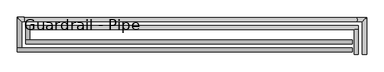
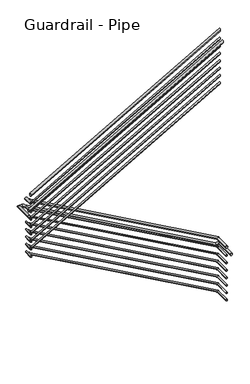
"""IFC4 building model written with IfcOpenShell, lengths in millimetres: railing geometry, Guardrail - Pipe."""

from ifc_helpers import new_model, si_unit, frame, origin, place, context, project, spatial, circle_curve, ellipse_curve, source, transform, mapped, element, save
from ifc_brep_helpers import plane_surface, cylinder_surface, advanced_brep


def guardrail_pipe_97f51324(model_context):
    return source(origin(), model_context, "Body", "AdvancedBrep", [
        advanced_brep(
        [(-10536.8064309, 2520.2151259, 8667.75), (-10574.9064309, 2520.2151259, 8667.75), (-10536.8064309, 2755.1651259, 8667.75), (-10574.9064309, 2755.1651259, 8667.75)],
        [
            (0, 1, circle_curve(frame((-10555.8564309, 2520.2151259, 8667.75), z_axis=(0.0, -1.0, 0.0), x_axis=(-1.0, 0.0, 0.0)), 19.05)),
            (1, 0, circle_curve(frame((-10555.8564309, 2520.2151259, 8667.75), z_axis=(0.0, -1.0, 0.0), x_axis=(-1.0, 0.0, 0.0)), 19.05)),
            (2, 3, circle_curve(frame((-10555.8564309, 2755.1651259, 8667.75), z_axis=(0.0, 1.0, 0.0), x_axis=(-1.0, 0.0, 0.0)), 19.05)),
            (3, 2, circle_curve(frame((-10555.8564309, 2755.1651259, 8667.75), z_axis=(0.0, 1.0, 0.0), x_axis=(-1.0, 0.0, 0.0)), 19.05)),
            (0, 2),
            (3, 1),
        ],
        [
            plane_surface(frame((-10555.8564309, 2520.2151259, 8686.8), z_axis=(0.0, -1.0, 0.0), x_axis=(0.0, 0.0, 1.0))),
            plane_surface(frame((-10555.8564309, 2755.1651259, 8686.8), z_axis=(0.0, 1.0, 0.0), x_axis=(0.0, 0.0, 1.0))),
            cylinder_surface(frame((-10555.8564309, 2520.2151259, 8667.75), z_axis=(0.0, -1.0, 0.0), x_axis=(-1.0, 0.0, 0.0)), 19.05),
        ],
        [
            (0, [[1, 2]]),
            (1, [[3, 4]]),
            (2, [[-1, 5, -4, 6]]),
            (2, [[-2, -6, -3, -5]]),
        ],
    ),
        advanced_brep(
        [(-10536.8064309, 2793.2651259, 8659.4197382), (-10536.8064309, 2755.1651259, 8659.4197382), (-13625.9612561, 2793.2651259, 10389.3610421), (-13625.9612561, 2755.1651259, 10389.3610421)],
        [
            (0, 1, ellipse_curve(frame((-10536.8064309, 2774.2151259, 8659.4197382), z_axis=(1.0, 0.0, 0.0), x_axis=(0.0, 0.0, -1.0)), 21.8337043, 19.05)),
            (1, 0, ellipse_curve(frame((-10536.8064309, 2774.2151259, 8659.4197382), z_axis=(1.0, 0.0, 0.0), x_axis=(0.0, 0.0, -1.0)), 21.8337043, 19.05)),
            (2, 3, ellipse_curve(frame((-13625.9612561, 2774.2151259, 10389.3610421), z_axis=(-1.0, 0.0, 0.0), x_axis=(0.0, 0.0, -1.0)), 21.8337043, 19.05)),
            (3, 2, ellipse_curve(frame((-13625.9612561, 2774.2151259, 10389.3610421), z_axis=(-1.0, 0.0, 0.0), x_axis=(0.0, 0.0, -1.0)), 21.8337043, 19.05)),
            (0, 2),
            (3, 1),
        ],
        [
            plane_surface(frame((-10536.8064309, 2774.2151259, 8681.2534425), z_axis=(1.0, 0.0, 0.0), x_axis=(0.0, -1.0, 0.0))),
            plane_surface(frame((-13625.9612561, 2774.2151259, 10411.1947464), z_axis=(-1.0, 0.0, 0.0), x_axis=(0.0, -1.0, 0.0))),
            cylinder_surface(frame((-10546.1143849, 2774.2151259, 8664.6322364), z_axis=(0.8725042577841247, 0.0, -0.4886065085000135), x_axis=(0.0, -1.0, 0.0)), 19.05),
        ],
        [
            (0, [[1, 2]]),
            (1, [[3, 4]]),
            (2, [[-1, 5, -4, 6]]),
            (2, [[-2, -6, -3, -5]]),
        ],
    ),
        advanced_brep(
        [(-13664.0612561, 2793.2651259, 10417.0369565), (-13625.9612561, 2793.2651259, 10417.0369565), (-13664.0612561, 2656.0904418, 10417.0369565), (-13625.9612561, 2656.0904418, 10417.0369565)],
        [
            (0, 1, circle_curve(frame((-13645.0112561, 2793.2651259, 10417.0369565), z_axis=(0.0, 1.0, 0.0), x_axis=(1.0, 0.0, 0.0)), 19.05)),
            (1, 0, circle_curve(frame((-13645.0112561, 2793.2651259, 10417.0369565), z_axis=(0.0, 1.0, 0.0), x_axis=(1.0, 0.0, 0.0)), 19.05)),
            (2, 3, circle_curve(frame((-13645.0112561, 2656.0904418, 10417.0369565), z_axis=(0.0, -1.0, 0.0), x_axis=(1.0, 0.0, 0.0)), 19.05)),
            (3, 2, circle_curve(frame((-13645.0112561, 2656.0904418, 10417.0369565), z_axis=(0.0, -1.0, 0.0), x_axis=(1.0, 0.0, 0.0)), 19.05)),
            (0, 2),
            (3, 1),
        ],
        [
            plane_surface(frame((-13645.0112561, 2793.2651259, 10436.0869565), z_axis=(0.0, 1.0, 0.0), x_axis=(0.0, 0.0, -1.0))),
            plane_surface(frame((-13645.0112561, 2656.0904418, 10436.0869565), z_axis=(0.0, -1.0, 0.0), x_axis=(0.0, 0.0, -1.0))),
            cylinder_surface(frame((-13645.0112561, 2793.2651259, 10417.0369565), z_axis=(0.0, 1.0, 0.0), x_axis=(1.0, 0.0, 0.0)), 19.05),
        ],
        [
            (0, [[1, 2]]),
            (1, [[3, 4]]),
            (2, [[-1, 5, -4, 6]]),
            (2, [[-2, -6, -3, -5]]),
        ],
    ),
        advanced_brep(
        [(-13664.0612561, 2617.9904418, 10576.8077294), (-13664.0612561, 2656.0904418, 10576.8077294), (-10597.0112561, 2617.9904418, 12322.4804567), (-10597.0112561, 2656.0904418, 12322.4804567)],
        [
            (0, 1, ellipse_curve(frame((-13664.0612561, 2637.0404418, 10576.8077294), z_axis=(-1.0, 0.0, 0.0), x_axis=(0.0, 0.0, -0.9999999999999999)), 21.9195433, 19.05)),
            (1, 0, ellipse_curve(frame((-13664.0612561, 2637.0404418, 10576.8077294), z_axis=(-1.0, 0.0, 0.0), x_axis=(0.0, 0.0, -0.9999999999999999)), 21.9195433, 19.05)),
            (2, 3, ellipse_curve(frame((-10597.0112561, 2637.0404418, 12322.4804567), z_axis=(1.0, 0.0, 0.0), x_axis=(0.0, 0.0, -0.9999999999999999)), 21.9195433, 19.05)),
            (3, 2, ellipse_curve(frame((-10597.0112561, 2637.0404418, 12322.4804567), z_axis=(1.0, 0.0, 0.0), x_axis=(0.0, 0.0, -0.9999999999999999)), 21.9195433, 19.05)),
            (0, 2),
            (3, 1),
        ],
        [
            plane_surface(frame((-13664.0612561, 2637.0404418, 10598.7272727), z_axis=(-1.0, 0.0, 0.0), x_axis=(0.0, 1.0, 0.0))),
            plane_surface(frame((-10597.0112561, 2637.0404418, 12344.4), z_axis=(1.0, 0.0, 0.0), x_axis=(0.0, 1.0, 0.0))),
            cylinder_surface(frame((-13654.6380123, 2637.0404418, 10582.1711568), z_axis=(-0.8690874511906045, 0.0, -0.49465847024287246), x_axis=(0.0, 1.0, 0.0)), 19.05),
        ],
        [
            (0, [[1, 2]]),
            (1, [[3, 4]]),
            (2, [[-1, 5, -4, 6]]),
            (2, [[-2, -6, -3, -5]]),
        ],
    ),
        advanced_brep(
        [(-10543.1564309, 2520.2151259, 8521.7), (-10568.5564309, 2520.2151259, 8521.7), (-10543.1564309, 2761.5151259, 8521.7), (-10568.5564309, 2761.5151259, 8521.7)],
        [
            (0, 1, circle_curve(frame((-10555.8564309, 2520.2151259, 8521.7), z_axis=(0.0, -1.0, 0.0), x_axis=(-1.0, 0.0, 0.0)), 12.7)),
            (1, 0, circle_curve(frame((-10555.8564309, 2520.2151259, 8521.7), z_axis=(0.0, -1.0, 0.0), x_axis=(-1.0, 0.0, 0.0)), 12.7)),
            (2, 3, circle_curve(frame((-10555.8564309, 2761.5151259, 8521.7), z_axis=(0.0, 1.0, 0.0), x_axis=(-1.0, 0.0, 0.0)), 12.7)),
            (3, 2, circle_curve(frame((-10555.8564309, 2761.5151259, 8521.7), z_axis=(0.0, 1.0, 0.0), x_axis=(-1.0, 0.0, 0.0)), 12.7)),
            (0, 2),
            (3, 1),
        ],
        [
            plane_surface(frame((-10555.8564309, 2520.2151259, 8534.4), z_axis=(0.0, -1.0, 0.0), x_axis=(0.0, 0.0, 1.0))),
            plane_surface(frame((-10555.8564309, 2761.5151259, 8534.4), z_axis=(0.0, 1.0, 0.0), x_axis=(0.0, 0.0, 1.0))),
            cylinder_surface(frame((-10555.8564309, 2520.2151259, 8521.7), z_axis=(0.0, -1.0, 0.0), x_axis=(-1.0, 0.0, 0.0)), 12.7),
        ],
        [
            (0, [[1, 2]]),
            (1, [[3, 4]]),
            (2, [[-1, 5, -4, 6]]),
            (2, [[-2, -6, -3, -5]]),
        ],
    ),
        advanced_brep(
        [(-10543.1564309, 2786.9151259, 8517.8536697), (-10543.1564309, 2761.5151259, 8517.8536697), (-13632.3112561, 2786.9151259, 10247.7949735), (-13632.3112561, 2761.5151259, 10247.7949735)],
        [
            (0, 1, ellipse_curve(frame((-10543.1564309, 2774.2151259, 8517.8536697), z_axis=(1.0, 0.0, 0.0), x_axis=(0.0, 0.0, -1.0)), 14.5558029, 12.7)),
            (1, 0, ellipse_curve(frame((-10543.1564309, 2774.2151259, 8517.8536697), z_axis=(1.0, 0.0, 0.0), x_axis=(0.0, 0.0, -1.0)), 14.5558029, 12.7)),
            (2, 3, ellipse_curve(frame((-13632.3112561, 2774.2151259, 10247.7949735), z_axis=(-1.0, 0.0, 0.0), x_axis=(0.0, 0.0, -1.0)), 14.5558029, 12.7)),
            (3, 2, ellipse_curve(frame((-13632.3112561, 2774.2151259, 10247.7949735), z_axis=(-1.0, 0.0, 0.0), x_axis=(0.0, 0.0, -1.0)), 14.5558029, 12.7)),
            (0, 2),
            (3, 1),
        ],
        [
            plane_surface(frame((-10543.1564309, 2774.2151259, 8532.4094726), z_axis=(1.0, 0.0, 0.0), x_axis=(0.0, -1.0, 0.0))),
            plane_surface(frame((-13632.3112561, 2774.2151259, 10262.3507764), z_axis=(-1.0, 0.0, 0.0), x_axis=(0.0, -1.0, 0.0))),
            cylinder_surface(frame((-10549.3617336, 2774.2151259, 8521.3286685), z_axis=(0.8725042577841247, 0.0, -0.4886065085000135), x_axis=(0.0, -1.0, 0.0)), 12.7),
        ],
        [
            (0, [[1, 2]]),
            (1, [[3, 4]]),
            (2, [[-1, 5, -4, 6]]),
            (2, [[-2, -6, -3, -5]]),
        ],
    ),
        advanced_brep(
        [(-13657.7112561, 2786.9151259, 10270.9869565), (-13632.3112561, 2786.9151259, 10270.9869565), (-13657.7112561, 2649.7404418, 10270.9869565), (-13632.3112561, 2649.7404418, 10270.9869565)],
        [
            (0, 1, circle_curve(frame((-13645.0112561, 2786.9151259, 10270.9869565), z_axis=(0.0, 1.0, 0.0), x_axis=(1.0, 0.0, 0.0)), 12.7)),
            (1, 0, circle_curve(frame((-13645.0112561, 2786.9151259, 10270.9869565), z_axis=(0.0, 1.0, 0.0), x_axis=(1.0, 0.0, 0.0)), 12.7)),
            (2, 3, circle_curve(frame((-13645.0112561, 2649.7404418, 10270.9869565), z_axis=(0.0, -1.0, 0.0), x_axis=(1.0, 0.0, 0.0)), 12.7)),
            (3, 2, circle_curve(frame((-13645.0112561, 2649.7404418, 10270.9869565), z_axis=(0.0, -1.0, 0.0), x_axis=(1.0, 0.0, 0.0)), 12.7)),
            (0, 2),
            (3, 1),
        ],
        [
            plane_surface(frame((-13645.0112561, 2786.9151259, 10283.6869565), z_axis=(0.0, 1.0, 0.0), x_axis=(0.0, 0.0, -1.0))),
            plane_surface(frame((-13645.0112561, 2649.7404418, 10283.6869565), z_axis=(0.0, -1.0, 0.0), x_axis=(0.0, 0.0, -1.0))),
            cylinder_surface(frame((-13645.0112561, 2786.9151259, 10270.9869565), z_axis=(0.0, 1.0, 0.0), x_axis=(1.0, 0.0, 0.0)), 12.7),
        ],
        [
            (0, [[1, 2]]),
            (1, [[3, 4]]),
            (2, [[-1, 5, -4, 6]]),
            (2, [[-2, -6, -3, -5]]),
        ],
    ),
        advanced_brep(
        [(-13657.7112561, 2624.3404418, 10435.3284731), (-13657.7112561, 2649.7404418, 10435.3284731), (-10597.0112561, 2624.3404418, 12177.3869711), (-10597.0112561, 2649.7404418, 12177.3869711)],
        [
            (0, 1, ellipse_curve(frame((-13657.7112561, 2637.0404418, 10435.3284731), z_axis=(-1.0, 0.0, 0.0), x_axis=(0.0, 0.0, -0.9999999999999999)), 14.6130289, 12.7)),
            (1, 0, ellipse_curve(frame((-13657.7112561, 2637.0404418, 10435.3284731), z_axis=(-1.0, 0.0, 0.0), x_axis=(0.0, 0.0, -0.9999999999999999)), 14.6130289, 12.7)),
            (2, 3, ellipse_curve(frame((-10597.0112561, 2637.0404418, 12177.3869711), z_axis=(1.0, 0.0, 0.0), x_axis=(0.0, 0.0, -0.9999999999999999)), 14.6130289, 12.7)),
            (3, 2, ellipse_curve(frame((-10597.0112561, 2637.0404418, 12177.3869711), z_axis=(1.0, 0.0, 0.0), x_axis=(0.0, 0.0, -0.9999999999999999)), 14.6130289, 12.7)),
            (0, 2),
            (3, 1),
        ],
        [
            plane_surface(frame((-13657.7112561, 2637.0404418, 10449.941502), z_axis=(-1.0, 0.0, 0.0), x_axis=(0.0, 1.0, 0.0))),
            plane_surface(frame((-10597.0112561, 2637.0404418, 12192.0), z_axis=(1.0, 0.0, 0.0), x_axis=(0.0, 1.0, 0.0))),
            cylinder_surface(frame((-13651.4290936, 2637.0404418, 10438.9040913), z_axis=(-0.8690874511906045, 0.0, -0.49465847024287246), x_axis=(0.0, 1.0, 0.0)), 12.7),
        ],
        [
            (0, [[1, 2]]),
            (1, [[3, 4]]),
            (2, [[-1, 5, -4, 6]]),
            (2, [[-2, -6, -3, -5]]),
        ],
    ),
        advanced_brep(
        [(-10460.6064309, 2520.2151259, 8515.35), (-10498.7064309, 2520.2151259, 8515.35), (-10460.6064309, 2869.4651259, 8515.35), (-10498.7064309, 2831.3651259, 8515.35), (-10551.6817729, 2869.4651259, 8515.35), (-10551.6817729, 2831.3651259, 8515.35), (-13675.3821148, 2869.4651259, 10264.6369565), (-13675.3821148, 2831.3651259, 10264.6369565), (-13740.2612561, 2869.4651259, 10264.6369565), (-13702.1612561, 2831.3651259, 10264.6369565), (-13740.2612561, 2579.8904418, 10264.6369565), (-13702.1612561, 2579.8904418, 10264.6369565)],
        [
            (0, 1, circle_curve(frame((-10479.6564309, 2520.2151259, 8515.35), z_axis=(0.0, -1.0, 0.0), x_axis=(-1.0, 0.0, 0.0)), 19.05)),
            (1, 0, circle_curve(frame((-10479.6564309, 2520.2151259, 8515.35), z_axis=(0.0, -1.0, 0.0), x_axis=(-1.0, 0.0, 0.0)), 19.05)),
            (0, 2),
            (2, 3, ellipse_curve(frame((-10479.6564309, 2850.4151259, 8515.35), z_axis=(0.7071067811865475, -0.7071067811865475, 0.0), x_axis=(-0.7071067811865474, -0.7071067811865476, 0.0)), 26.9407684, 19.05)),
            (3, 1),
            (3, 2, ellipse_curve(frame((-10479.6564309, 2850.4151259, 8515.35), z_axis=(0.7071067811865475, -0.7071067811865475, 0.0), x_axis=(-0.7071067811865474, -0.7071067811865476, 0.0)), 26.9407684, 19.05)),
            (2, 4),
            (4, 5, ellipse_curve(frame((-10551.6817729, 2850.4151259, 8515.35), z_axis=(0.9676012241063268, 0.0, -0.2524834075893657), x_axis=(0.25248340758936655, 0.0, 0.9676012241063265)), 19.6878626, 19.05)),
            (5, 3),
            (5, 4, ellipse_curve(frame((-10551.6817729, 2850.4151259, 8515.35), z_axis=(0.9676012241063268, 0.0, -0.2524834075893657), x_axis=(0.25248340758936655, 0.0, 0.9676012241063265)), 19.6878626, 19.05)),
            (4, 6),
            (6, 7, ellipse_curve(frame((-13675.3821148, 2850.4151259, 10264.6369565), z_axis=(0.9676012241063268, 0.0, -0.2524834075893657), x_axis=(-0.2524834075893648, 0.0, -0.967601224106327)), 19.6878626, 19.05)),
            (7, 5),
            (7, 6, ellipse_curve(frame((-13675.3821148, 2850.4151259, 10264.6369565), z_axis=(0.9676012241063268, 0.0, -0.2524834075893657), x_axis=(-0.2524834075893648, 0.0, -0.967601224106327)), 19.6878626, 19.05)),
            (6, 8),
            (8, 9, ellipse_curve(frame((-13721.2112561, 2850.4151259, 10264.6369565), z_axis=(0.7071067811865476, 0.7071067811865475, 0.0), x_axis=(0.7071067811865475, -0.7071067811865476, 0.0)), 26.9407684, 19.05)),
            (9, 7),
            (9, 8, ellipse_curve(frame((-13721.2112561, 2850.4151259, 10264.6369565), z_axis=(0.7071067811865476, 0.7071067811865475, 0.0), x_axis=(0.7071067811865475, -0.7071067811865476, 0.0)), 26.9407684, 19.05)),
            (10, 11, circle_curve(frame((-13721.2112561, 2579.8904418, 10264.6369565), z_axis=(0.0, -1.0, 0.0), x_axis=(1.0, 0.0, 0.0)), 19.05)),
            (11, 10, circle_curve(frame((-13721.2112561, 2579.8904418, 10264.6369565), z_axis=(0.0, -1.0, 0.0), x_axis=(1.0, 0.0, 0.0)), 19.05)),
            (8, 10),
            (11, 9),
        ],
        [
            plane_surface(frame((-10479.6564309, 2520.2151259, 8534.4), z_axis=(0.0, -1.0, 0.0), x_axis=(0.0, 0.0, 1.0))),
            cylinder_surface(frame((-10479.6564309, 2520.2151259, 8515.35), z_axis=(0.0, -1.0, 0.0), x_axis=(-1.0, 0.0, 0.0)), 19.05),
            cylinder_surface(frame((-10479.6564309, 2850.4151259, 8515.35), z_axis=(1.0, 0.0, 0.0), x_axis=(0.0, -1.0, 0.0)), 19.05),
            cylinder_surface(frame((-10556.0188682, 2850.4151259, 8517.7787939), z_axis=(0.8725042577841244, 0.0, -0.48860650850001386), x_axis=(0.0, -1.0, 0.0)), 19.05),
            cylinder_surface(frame((-13670.4112561, 2850.4151259, 10264.6369565), z_axis=(1.0, 0.0, 0.0), x_axis=(0.0, -1.0, 0.0)), 19.05),
            plane_surface(frame((-13721.2112561, 2579.8904418, 10283.6869565), z_axis=(0.0, -1.0, 0.0), x_axis=(0.0, 0.0, -1.0))),
            cylinder_surface(frame((-13721.2112561, 2850.4151259, 10264.6369565), z_axis=(0.0, 1.0, 0.0), x_axis=(1.0, 0.0, 0.0)), 19.05),
        ],
        [
            (0, [[1, 2]]),
            (1, [[-1, 3, 4, 5]]),
            (1, [[-2, -5, 6, -3]]),
            (2, [[-4, 7, 8, 9]]),
            (2, [[-6, -9, 10, -7]]),
            (3, [[-8, 11, 12, 13]]),
            (3, [[-10, -13, 14, -11]]),
            (4, [[-12, 15, 16, 17]]),
            (4, [[-14, -17, 18, -15]]),
            (5, [[19, 20]]),
            (6, [[-16, 21, -20, 22]]),
            (6, [[-18, -22, -19, -21]]),
        ],
    ),
        advanced_brep(
        [(-13740.2612561, 2541.7904418, 10381.0369785), (-13740.2612561, 2579.8904418, 10381.0369785), (-10597.0112561, 2541.7904418, 12170.0804567), (-10597.0112561, 2579.8904418, 12170.0804567)],
        [
            (0, 1, ellipse_curve(frame((-13740.2612561, 2560.8404418, 10381.0369785), z_axis=(-1.0, 0.0, 0.0), x_axis=(0.0, 0.0, -0.9999999999999999)), 21.9195433, 19.05)),
            (1, 0, ellipse_curve(frame((-13740.2612561, 2560.8404418, 10381.0369785), z_axis=(-1.0, 0.0, 0.0), x_axis=(0.0, 0.0, -0.9999999999999999)), 21.9195433, 19.05)),
            (2, 3, ellipse_curve(frame((-10597.0112561, 2560.8404418, 12170.0804567), z_axis=(1.0, 0.0, 0.0), x_axis=(0.0, 0.0, -0.9999999999999999)), 21.9195433, 19.05)),
            (3, 2, ellipse_curve(frame((-10597.0112561, 2560.8404418, 12170.0804567), z_axis=(1.0, 0.0, 0.0), x_axis=(0.0, 0.0, -0.9999999999999999)), 21.9195433, 19.05)),
            (0, 2),
            (3, 1),
        ],
        [
            plane_surface(frame((-13740.2612561, 2560.8404418, 10402.9565217), z_axis=(-1.0, 0.0, 0.0), x_axis=(0.0, 1.0, 0.0))),
            plane_surface(frame((-10597.0112561, 2560.8404418, 12192.0), z_axis=(1.0, 0.0, 0.0), x_axis=(0.0, 1.0, 0.0))),
            cylinder_surface(frame((-13730.8380123, 2560.8404418, 10386.4004058), z_axis=(-0.8690874511906045, 0.0, -0.49465847024287257), x_axis=(0.0, 1.0, 0.0)), 19.05),
        ],
        [
            (0, [[1, 2]]),
            (1, [[3, 4]]),
            (2, [[-1, 5, -4, 6]]),
            (2, [[-2, -6, -3, -5]]),
        ],
    ),
        advanced_brep(
        [(-10543.1564309, 2520.2151259, 8394.7), (-10568.5564309, 2520.2151259, 8394.7), (-10543.1564309, 2761.5151259, 8394.7), (-10568.5564309, 2761.5151259, 8394.7)],
        [
            (0, 1, circle_curve(frame((-10555.8564309, 2520.2151259, 8394.7), z_axis=(0.0, -1.0, 0.0), x_axis=(-1.0, 0.0, 0.0)), 12.7)),
            (1, 0, circle_curve(frame((-10555.8564309, 2520.2151259, 8394.7), z_axis=(0.0, -1.0, 0.0), x_axis=(-1.0, 0.0, 0.0)), 12.7)),
            (2, 3, circle_curve(frame((-10555.8564309, 2761.5151259, 8394.7), z_axis=(0.0, 1.0, 0.0), x_axis=(-1.0, 0.0, 0.0)), 12.7)),
            (3, 2, circle_curve(frame((-10555.8564309, 2761.5151259, 8394.7), z_axis=(0.0, 1.0, 0.0), x_axis=(-1.0, 0.0, 0.0)), 12.7)),
            (0, 2),
            (3, 1),
        ],
        [
            plane_surface(frame((-10555.8564309, 2520.2151259, 8407.4), z_axis=(0.0, -1.0, 0.0), x_axis=(0.0, 0.0, 1.0))),
            plane_surface(frame((-10555.8564309, 2761.5151259, 8407.4), z_axis=(0.0, 1.0, 0.0), x_axis=(0.0, 0.0, 1.0))),
            cylinder_surface(frame((-10555.8564309, 2520.2151259, 8394.7), z_axis=(0.0, -1.0, 0.0), x_axis=(-1.0, 0.0, 0.0)), 12.7),
        ],
        [
            (0, [[1, 2]]),
            (1, [[3, 4]]),
            (2, [[-1, 5, -4, 6]]),
            (2, [[-2, -6, -3, -5]]),
        ],
    ),
        advanced_brep(
        [(-10543.1564309, 2786.9151259, 8390.8536697), (-10543.1564309, 2761.5151259, 8390.8536697), (-13632.3112561, 2786.9151259, 10120.7949735), (-13632.3112561, 2761.5151259, 10120.7949735)],
        [
            (0, 1, ellipse_curve(frame((-10543.1564309, 2774.2151259, 8390.8536697), z_axis=(1.0, 0.0, 0.0), x_axis=(0.0, 0.0, -1.0)), 14.5558029, 12.7)),
            (1, 0, ellipse_curve(frame((-10543.1564309, 2774.2151259, 8390.8536697), z_axis=(1.0, 0.0, 0.0), x_axis=(0.0, 0.0, -1.0)), 14.5558029, 12.7)),
            (2, 3, ellipse_curve(frame((-13632.3112561, 2774.2151259, 10120.7949735), z_axis=(-1.0, 0.0, 0.0), x_axis=(0.0, 0.0, -1.0)), 14.5558029, 12.7)),
            (3, 2, ellipse_curve(frame((-13632.3112561, 2774.2151259, 10120.7949735), z_axis=(-1.0, 0.0, 0.0), x_axis=(0.0, 0.0, -1.0)), 14.5558029, 12.7)),
            (0, 2),
            (3, 1),
        ],
        [
            plane_surface(frame((-10543.1564309, 2774.2151259, 8405.4094726), z_axis=(1.0, 0.0, 0.0), x_axis=(0.0, -1.0, 0.0))),
            plane_surface(frame((-13632.3112561, 2774.2151259, 10135.3507764), z_axis=(-1.0, 0.0, 0.0), x_axis=(0.0, -1.0, 0.0))),
            cylinder_surface(frame((-10549.3617336, 2774.2151259, 8394.3286685), z_axis=(0.8725042577841245, 0.0, -0.48860650850001375), x_axis=(0.0, -1.0, 0.0)), 12.7),
        ],
        [
            (0, [[1, 2]]),
            (1, [[3, 4]]),
            (2, [[-1, 5, -4, 6]]),
            (2, [[-2, -6, -3, -5]]),
        ],
    ),
        advanced_brep(
        [(-13657.7112561, 2786.9151259, 10143.9869565), (-13632.3112561, 2786.9151259, 10143.9869565), (-13657.7112561, 2649.7404418, 10143.9869565), (-13632.3112561, 2649.7404418, 10143.9869565)],
        [
            (0, 1, circle_curve(frame((-13645.0112561, 2786.9151259, 10143.9869565), z_axis=(0.0, 1.0, 0.0), x_axis=(1.0, 0.0, 0.0)), 12.7)),
            (1, 0, circle_curve(frame((-13645.0112561, 2786.9151259, 10143.9869565), z_axis=(0.0, 1.0, 0.0), x_axis=(1.0, 0.0, 0.0)), 12.7)),
            (2, 3, circle_curve(frame((-13645.0112561, 2649.7404418, 10143.9869565), z_axis=(0.0, -1.0, 0.0), x_axis=(1.0, 0.0, 0.0)), 12.7)),
            (3, 2, circle_curve(frame((-13645.0112561, 2649.7404418, 10143.9869565), z_axis=(0.0, -1.0, 0.0), x_axis=(1.0, 0.0, 0.0)), 12.7)),
            (0, 2),
            (3, 1),
        ],
        [
            plane_surface(frame((-13645.0112561, 2786.9151259, 10156.6869565), z_axis=(0.0, 1.0, 0.0), x_axis=(0.0, 0.0, -1.0))),
            plane_surface(frame((-13645.0112561, 2649.7404418, 10156.6869565), z_axis=(0.0, -1.0, 0.0), x_axis=(0.0, 0.0, -1.0))),
            cylinder_surface(frame((-13645.0112561, 2786.9151259, 10143.9869565), z_axis=(0.0, 1.0, 0.0), x_axis=(1.0, 0.0, 0.0)), 12.7),
        ],
        [
            (0, [[1, 2]]),
            (1, [[3, 4]]),
            (2, [[-1, 5, -4, 6]]),
            (2, [[-2, -6, -3, -5]]),
        ],
    ),
        advanced_brep(
        [(-13657.7112561, 2624.3404418, 10308.3284731), (-13657.7112561, 2649.7404418, 10308.3284731), (-10597.0112561, 2624.3404418, 12050.3869711), (-10597.0112561, 2649.7404418, 12050.3869711)],
        [
            (0, 1, ellipse_curve(frame((-13657.7112561, 2637.0404418, 10308.3284731), z_axis=(-1.0, 0.0, 0.0), x_axis=(0.0, 0.0, -0.9999999999999999)), 14.6130289, 12.7)),
            (1, 0, ellipse_curve(frame((-13657.7112561, 2637.0404418, 10308.3284731), z_axis=(-1.0, 0.0, 0.0), x_axis=(0.0, 0.0, -0.9999999999999999)), 14.6130289, 12.7)),
            (2, 3, ellipse_curve(frame((-10597.0112561, 2637.0404418, 12050.3869711), z_axis=(1.0, 0.0, 0.0), x_axis=(0.0, 0.0, -0.9999999999999999)), 14.6130289, 12.7)),
            (3, 2, ellipse_curve(frame((-10597.0112561, 2637.0404418, 12050.3869711), z_axis=(1.0, 0.0, 0.0), x_axis=(0.0, 0.0, -0.9999999999999999)), 14.6130289, 12.7)),
            (0, 2),
            (3, 1),
        ],
        [
            plane_surface(frame((-13657.7112561, 2637.0404418, 10322.941502), z_axis=(-1.0, 0.0, 0.0), x_axis=(0.0, 1.0, 0.0))),
            plane_surface(frame((-10597.0112561, 2637.0404418, 12065.0), z_axis=(1.0, 0.0, 0.0), x_axis=(0.0, 1.0, 0.0))),
            cylinder_surface(frame((-13651.4290936, 2637.0404418, 10311.9040913), z_axis=(-0.8690874511906045, 0.0, -0.49465847024287246), x_axis=(0.0, 1.0, 0.0)), 12.7),
        ],
        [
            (0, [[1, 2]]),
            (1, [[3, 4]]),
            (2, [[-1, 5, -4, 6]]),
            (2, [[-2, -6, -3, -5]]),
        ],
    ),
        advanced_brep(
        [(-10543.1564309, 2520.2151259, 8267.7), (-10568.5564309, 2520.2151259, 8267.7), (-10543.1564309, 2761.5151259, 8267.7), (-10568.5564309, 2761.5151259, 8267.7)],
        [
            (0, 1, circle_curve(frame((-10555.8564309, 2520.2151259, 8267.7), z_axis=(0.0, -1.0, 0.0), x_axis=(-1.0, 0.0, 0.0)), 12.7)),
            (1, 0, circle_curve(frame((-10555.8564309, 2520.2151259, 8267.7), z_axis=(0.0, -1.0, 0.0), x_axis=(-1.0, 0.0, 0.0)), 12.7)),
            (2, 3, circle_curve(frame((-10555.8564309, 2761.5151259, 8267.7), z_axis=(0.0, 1.0, 0.0), x_axis=(-1.0, 0.0, 0.0)), 12.7)),
            (3, 2, circle_curve(frame((-10555.8564309, 2761.5151259, 8267.7), z_axis=(0.0, 1.0, 0.0), x_axis=(-1.0, 0.0, 0.0)), 12.7)),
            (0, 2),
            (3, 1),
        ],
        [
            plane_surface(frame((-10555.8564309, 2520.2151259, 8280.4), z_axis=(0.0, -1.0, 0.0), x_axis=(0.0, 0.0, 1.0))),
            plane_surface(frame((-10555.8564309, 2761.5151259, 8280.4), z_axis=(0.0, 1.0, 0.0), x_axis=(0.0, 0.0, 1.0))),
            cylinder_surface(frame((-10555.8564309, 2520.2151259, 8267.7), z_axis=(0.0, -1.0, 0.0), x_axis=(-1.0, 0.0, 0.0)), 12.7),
        ],
        [
            (0, [[1, 2]]),
            (1, [[3, 4]]),
            (2, [[-1, 5, -4, 6]]),
            (2, [[-2, -6, -3, -5]]),
        ],
    ),
        advanced_brep(
        [(-10543.1564309, 2786.9151259, 8263.8536697), (-10543.1564309, 2761.5151259, 8263.8536697), (-13632.3112561, 2786.9151259, 9993.7949735), (-13632.3112561, 2761.5151259, 9993.7949735)],
        [
            (0, 1, ellipse_curve(frame((-10543.1564309, 2774.2151259, 8263.8536697), z_axis=(1.0, 0.0, 0.0), x_axis=(0.0, 0.0, -1.0)), 14.5558029, 12.7)),
            (1, 0, ellipse_curve(frame((-10543.1564309, 2774.2151259, 8263.8536697), z_axis=(1.0, 0.0, 0.0), x_axis=(0.0, 0.0, -1.0)), 14.5558029, 12.7)),
            (2, 3, ellipse_curve(frame((-13632.3112561, 2774.2151259, 9993.7949735), z_axis=(-1.0, 0.0, 0.0), x_axis=(0.0, 0.0, -1.0)), 14.5558029, 12.7)),
            (3, 2, ellipse_curve(frame((-13632.3112561, 2774.2151259, 9993.7949735), z_axis=(-1.0, 0.0, 0.0), x_axis=(0.0, 0.0, -1.0)), 14.5558029, 12.7)),
            (0, 2),
            (3, 1),
        ],
        [
            plane_surface(frame((-10543.1564309, 2774.2151259, 8278.4094726), z_axis=(1.0, 0.0, 0.0), x_axis=(0.0, -1.0, 0.0))),
            plane_surface(frame((-13632.3112561, 2774.2151259, 10008.3507764), z_axis=(-1.0, 0.0, 0.0), x_axis=(0.0, -1.0, 0.0))),
            cylinder_surface(frame((-10549.3617336, 2774.2151259, 8267.3286685), z_axis=(0.8725042577841248, 0.0, -0.4886065085000133), x_axis=(0.0, -1.0, 0.0)), 12.7),
        ],
        [
            (0, [[1, 2]]),
            (1, [[3, 4]]),
            (2, [[-1, 5, -4, 6]]),
            (2, [[-2, -6, -3, -5]]),
        ],
    ),
        advanced_brep(
        [(-13657.7112561, 2786.9151259, 10016.9869565), (-13632.3112561, 2786.9151259, 10016.9869565), (-13657.7112561, 2649.7404418, 10016.9869565), (-13632.3112561, 2649.7404418, 10016.9869565)],
        [
            (0, 1, circle_curve(frame((-13645.0112561, 2786.9151259, 10016.9869565), z_axis=(0.0, 1.0, 0.0), x_axis=(1.0, 0.0, 0.0)), 12.7)),
            (1, 0, circle_curve(frame((-13645.0112561, 2786.9151259, 10016.9869565), z_axis=(0.0, 1.0, 0.0), x_axis=(1.0, 0.0, 0.0)), 12.7)),
            (2, 3, circle_curve(frame((-13645.0112561, 2649.7404418, 10016.9869565), z_axis=(0.0, -1.0, 0.0), x_axis=(1.0, 0.0, 0.0)), 12.7)),
            (3, 2, circle_curve(frame((-13645.0112561, 2649.7404418, 10016.9869565), z_axis=(0.0, -1.0, 0.0), x_axis=(1.0, 0.0, 0.0)), 12.7)),
            (0, 2),
            (3, 1),
        ],
        [
            plane_surface(frame((-13645.0112561, 2786.9151259, 10029.6869565), z_axis=(0.0, 1.0, 0.0), x_axis=(0.0, 0.0, -1.0))),
            plane_surface(frame((-13645.0112561, 2649.7404418, 10029.6869565), z_axis=(0.0, -1.0, 0.0), x_axis=(0.0, 0.0, -1.0))),
            cylinder_surface(frame((-13645.0112561, 2786.9151259, 10016.9869565), z_axis=(0.0, 1.0, 0.0), x_axis=(1.0, 0.0, 0.0)), 12.7),
        ],
        [
            (0, [[1, 2]]),
            (1, [[3, 4]]),
            (2, [[-1, 5, -4, 6]]),
            (2, [[-2, -6, -3, -5]]),
        ],
    ),
        advanced_brep(
        [(-13657.7112561, 2624.3404418, 10181.3284731), (-13657.7112561, 2649.7404418, 10181.3284731), (-10597.0112561, 2624.3404418, 11923.3869711), (-10597.0112561, 2649.7404418, 11923.3869711)],
        [
            (0, 1, ellipse_curve(frame((-13657.7112561, 2637.0404418, 10181.3284731), z_axis=(-1.0, 0.0, 0.0), x_axis=(0.0, 0.0, -0.9999999999999999)), 14.6130289, 12.7)),
            (1, 0, ellipse_curve(frame((-13657.7112561, 2637.0404418, 10181.3284731), z_axis=(-1.0, 0.0, 0.0), x_axis=(0.0, 0.0, -0.9999999999999999)), 14.6130289, 12.7)),
            (2, 3, ellipse_curve(frame((-10597.0112561, 2637.0404418, 11923.3869711), z_axis=(1.0, 0.0, 0.0), x_axis=(0.0, 0.0, -0.9999999999999999)), 14.6130289, 12.7)),
            (3, 2, ellipse_curve(frame((-10597.0112561, 2637.0404418, 11923.3869711), z_axis=(1.0, 0.0, 0.0), x_axis=(0.0, 0.0, -0.9999999999999999)), 14.6130289, 12.7)),
            (0, 2),
            (3, 1),
        ],
        [
            plane_surface(frame((-13657.7112561, 2637.0404418, 10195.941502), z_axis=(-1.0, 0.0, 0.0), x_axis=(0.0, 1.0, 0.0))),
            plane_surface(frame((-10597.0112561, 2637.0404418, 11938.0), z_axis=(1.0, 0.0, 0.0), x_axis=(0.0, 1.0, 0.0))),
            cylinder_surface(frame((-13651.4290936, 2637.0404418, 10184.9040913), z_axis=(-0.8690874511906045, 0.0, -0.49465847024287246), x_axis=(0.0, 1.0, 0.0)), 12.7),
        ],
        [
            (0, [[1, 2]]),
            (1, [[3, 4]]),
            (2, [[-1, 5, -4, 6]]),
            (2, [[-2, -6, -3, -5]]),
        ],
    ),
        advanced_brep(
        [(-10543.1564309, 2520.2151259, 8140.7), (-10568.5564309, 2520.2151259, 8140.7), (-10543.1564309, 2761.5151259, 8140.7), (-10568.5564309, 2761.5151259, 8140.7)],
        [
            (0, 1, circle_curve(frame((-10555.8564309, 2520.2151259, 8140.7), z_axis=(0.0, -1.0, 0.0), x_axis=(-1.0, 0.0, 0.0)), 12.7)),
            (1, 0, circle_curve(frame((-10555.8564309, 2520.2151259, 8140.7), z_axis=(0.0, -1.0, 0.0), x_axis=(-1.0, 0.0, 0.0)), 12.7)),
            (2, 3, circle_curve(frame((-10555.8564309, 2761.5151259, 8140.7), z_axis=(0.0, 1.0, 0.0), x_axis=(-1.0, 0.0, 0.0)), 12.7)),
            (3, 2, circle_curve(frame((-10555.8564309, 2761.5151259, 8140.7), z_axis=(0.0, 1.0, 0.0), x_axis=(-1.0, 0.0, 0.0)), 12.7)),
            (0, 2),
            (3, 1),
        ],
        [
            plane_surface(frame((-10555.8564309, 2520.2151259, 8153.4), z_axis=(0.0, -1.0, 0.0), x_axis=(0.0, 0.0, 1.0))),
            plane_surface(frame((-10555.8564309, 2761.5151259, 8153.4), z_axis=(0.0, 1.0, 0.0), x_axis=(0.0, 0.0, 1.0))),
            cylinder_surface(frame((-10555.8564309, 2520.2151259, 8140.7), z_axis=(0.0, -1.0, 0.0), x_axis=(-1.0, 0.0, 0.0)), 12.7),
        ],
        [
            (0, [[1, 2]]),
            (1, [[3, 4]]),
            (2, [[-1, 5, -4, 6]]),
            (2, [[-2, -6, -3, -5]]),
        ],
    ),
        advanced_brep(
        [(-10543.1564309, 2786.9151259, 8136.8536697), (-10543.1564309, 2761.5151259, 8136.8536697), (-13632.3112561, 2786.9151259, 9866.7949735), (-13632.3112561, 2761.5151259, 9866.7949735)],
        [
            (0, 1, ellipse_curve(frame((-10543.1564309, 2774.2151259, 8136.8536697), z_axis=(1.0, 0.0, 0.0), x_axis=(0.0, 0.0, -1.0)), 14.5558029, 12.7)),
            (1, 0, ellipse_curve(frame((-10543.1564309, 2774.2151259, 8136.8536697), z_axis=(1.0, 0.0, 0.0), x_axis=(0.0, 0.0, -1.0)), 14.5558029, 12.7)),
            (2, 3, ellipse_curve(frame((-13632.3112561, 2774.2151259, 9866.7949735), z_axis=(-1.0, 0.0, 0.0), x_axis=(0.0, 0.0, -1.0)), 14.5558029, 12.7)),
            (3, 2, ellipse_curve(frame((-13632.3112561, 2774.2151259, 9866.7949735), z_axis=(-1.0, 0.0, 0.0), x_axis=(0.0, 0.0, -1.0)), 14.5558029, 12.7)),
            (0, 2),
            (3, 1),
        ],
        [
            plane_surface(frame((-10543.1564309, 2774.2151259, 8151.4094726), z_axis=(1.0, 0.0, 0.0), x_axis=(0.0, -1.0, 0.0))),
            plane_surface(frame((-13632.3112561, 2774.2151259, 9881.3507764), z_axis=(-1.0, 0.0, 0.0), x_axis=(0.0, -1.0, 0.0))),
            cylinder_surface(frame((-10549.3617336, 2774.2151259, 8140.3286685), z_axis=(0.8725042577841247, 0.0, -0.4886065085000135), x_axis=(0.0, -1.0, 0.0)), 12.7),
        ],
        [
            (0, [[1, 2]]),
            (1, [[3, 4]]),
            (2, [[-1, 5, -4, 6]]),
            (2, [[-2, -6, -3, -5]]),
        ],
    ),
        advanced_brep(
        [(-13657.7112561, 2786.9151259, 9889.9869565), (-13632.3112561, 2786.9151259, 9889.9869565), (-13657.7112561, 2649.7404418, 9889.9869565), (-13632.3112561, 2649.7404418, 9889.9869565)],
        [
            (0, 1, circle_curve(frame((-13645.0112561, 2786.9151259, 9889.9869565), z_axis=(0.0, 1.0, 0.0), x_axis=(1.0, 0.0, 0.0)), 12.7)),
            (1, 0, circle_curve(frame((-13645.0112561, 2786.9151259, 9889.9869565), z_axis=(0.0, 1.0, 0.0), x_axis=(1.0, 0.0, 0.0)), 12.7)),
            (2, 3, circle_curve(frame((-13645.0112561, 2649.7404418, 9889.9869565), z_axis=(0.0, -1.0, 0.0), x_axis=(1.0, 0.0, 0.0)), 12.7)),
            (3, 2, circle_curve(frame((-13645.0112561, 2649.7404418, 9889.9869565), z_axis=(0.0, -1.0, 0.0), x_axis=(1.0, 0.0, 0.0)), 12.7)),
            (0, 2),
            (3, 1),
        ],
        [
            plane_surface(frame((-13645.0112561, 2786.9151259, 9902.6869565), z_axis=(0.0, 1.0, 0.0), x_axis=(0.0, 0.0, -1.0))),
            plane_surface(frame((-13645.0112561, 2649.7404418, 9902.6869565), z_axis=(0.0, -1.0, 0.0), x_axis=(0.0, 0.0, -1.0))),
            cylinder_surface(frame((-13645.0112561, 2786.9151259, 9889.9869565), z_axis=(0.0, 1.0, 0.0), x_axis=(1.0, 0.0, 0.0)), 12.7),
        ],
        [
            (0, [[1, 2]]),
            (1, [[3, 4]]),
            (2, [[-1, 5, -4, 6]]),
            (2, [[-2, -6, -3, -5]]),
        ],
    ),
        advanced_brep(
        [(-13657.7112561, 2624.3404418, 10054.3284731), (-13657.7112561, 2649.7404418, 10054.3284731), (-10597.0112561, 2624.3404418, 11796.3869711), (-10597.0112561, 2649.7404418, 11796.3869711)],
        [
            (0, 1, ellipse_curve(frame((-13657.7112561, 2637.0404418, 10054.3284731), z_axis=(-1.0, 0.0, 0.0), x_axis=(0.0, 0.0, -0.9999999999999999)), 14.6130289, 12.7)),
            (1, 0, ellipse_curve(frame((-13657.7112561, 2637.0404418, 10054.3284731), z_axis=(-1.0, 0.0, 0.0), x_axis=(0.0, 0.0, -0.9999999999999999)), 14.6130289, 12.7)),
            (2, 3, ellipse_curve(frame((-10597.0112561, 2637.0404418, 11796.3869711), z_axis=(1.0, 0.0, 0.0), x_axis=(0.0, 0.0, -0.9999999999999999)), 14.6130289, 12.7)),
            (3, 2, ellipse_curve(frame((-10597.0112561, 2637.0404418, 11796.3869711), z_axis=(1.0, 0.0, 0.0), x_axis=(0.0, 0.0, -0.9999999999999999)), 14.6130289, 12.7)),
            (0, 2),
            (3, 1),
        ],
        [
            plane_surface(frame((-13657.7112561, 2637.0404418, 10068.941502), z_axis=(-1.0, 0.0, 0.0), x_axis=(0.0, 1.0, 0.0))),
            plane_surface(frame((-10597.0112561, 2637.0404418, 11811.0), z_axis=(1.0, 0.0, 0.0), x_axis=(0.0, 1.0, 0.0))),
            cylinder_surface(frame((-13651.4290936, 2637.0404418, 10057.9040913), z_axis=(-0.8690874511906045, 0.0, -0.49465847024287246), x_axis=(0.0, 1.0, 0.0)), 12.7),
        ],
        [
            (0, [[1, 2]]),
            (1, [[3, 4]]),
            (2, [[-1, 5, -4, 6]]),
            (2, [[-2, -6, -3, -5]]),
        ],
    ),
        advanced_brep(
        [(-10543.1564309, 2520.2151259, 8013.7), (-10568.5564309, 2520.2151259, 8013.7), (-10543.1564309, 2761.5151259, 8013.7), (-10568.5564309, 2761.5151259, 8013.7)],
        [
            (0, 1, circle_curve(frame((-10555.8564309, 2520.2151259, 8013.7), z_axis=(0.0, -1.0, 0.0), x_axis=(-1.0, 0.0, 0.0)), 12.7)),
            (1, 0, circle_curve(frame((-10555.8564309, 2520.2151259, 8013.7), z_axis=(0.0, -1.0, 0.0), x_axis=(-1.0, 0.0, 0.0)), 12.7)),
            (2, 3, circle_curve(frame((-10555.8564309, 2761.5151259, 8013.7), z_axis=(0.0, 1.0, 0.0), x_axis=(-1.0, 0.0, 0.0)), 12.7)),
            (3, 2, circle_curve(frame((-10555.8564309, 2761.5151259, 8013.7), z_axis=(0.0, 1.0, 0.0), x_axis=(-1.0, 0.0, 0.0)), 12.7)),
            (0, 2),
            (3, 1),
        ],
        [
            plane_surface(frame((-10555.8564309, 2520.2151259, 8026.4), z_axis=(0.0, -1.0, 0.0), x_axis=(0.0, 0.0, 1.0))),
            plane_surface(frame((-10555.8564309, 2761.5151259, 8026.4), z_axis=(0.0, 1.0, 0.0), x_axis=(0.0, 0.0, 1.0))),
            cylinder_surface(frame((-10555.8564309, 2520.2151259, 8013.7), z_axis=(0.0, -1.0, 0.0), x_axis=(-1.0, 0.0, 0.0)), 12.7),
        ],
        [
            (0, [[1, 2]]),
            (1, [[3, 4]]),
            (2, [[-1, 5, -4, 6]]),
            (2, [[-2, -6, -3, -5]]),
        ],
    ),
        advanced_brep(
        [(-10543.1564309, 2786.9151259, 8009.8536697), (-10543.1564309, 2761.5151259, 8009.8536697), (-13632.3112561, 2786.9151259, 9739.7949735), (-13632.3112561, 2761.5151259, 9739.7949735)],
        [
            (0, 1, ellipse_curve(frame((-10543.1564309, 2774.2151259, 8009.8536697), z_axis=(1.0, 0.0, 0.0), x_axis=(0.0, 0.0, -1.0)), 14.5558029, 12.7)),
            (1, 0, ellipse_curve(frame((-10543.1564309, 2774.2151259, 8009.8536697), z_axis=(1.0, 0.0, 0.0), x_axis=(0.0, 0.0, -1.0)), 14.5558029, 12.7)),
            (2, 3, ellipse_curve(frame((-13632.3112561, 2774.2151259, 9739.7949735), z_axis=(-1.0, 0.0, 0.0), x_axis=(0.0, 0.0, -1.0)), 14.5558029, 12.7)),
            (3, 2, ellipse_curve(frame((-13632.3112561, 2774.2151259, 9739.7949735), z_axis=(-1.0, 0.0, 0.0), x_axis=(0.0, 0.0, -1.0)), 14.5558029, 12.7)),
            (0, 2),
            (3, 1),
        ],
        [
            plane_surface(frame((-10543.1564309, 2774.2151259, 8024.4094726), z_axis=(1.0, 0.0, 0.0), x_axis=(0.0, -1.0, 0.0))),
            plane_surface(frame((-13632.3112561, 2774.2151259, 9754.3507764), z_axis=(-1.0, 0.0, 0.0), x_axis=(0.0, -1.0, 0.0))),
            cylinder_surface(frame((-10549.3617336, 2774.2151259, 8013.3286685), z_axis=(0.8725042577841245, 0.0, -0.48860650850001375), x_axis=(0.0, -1.0, 0.0)), 12.7),
        ],
        [
            (0, [[1, 2]]),
            (1, [[3, 4]]),
            (2, [[-1, 5, -4, 6]]),
            (2, [[-2, -6, -3, -5]]),
        ],
    ),
        advanced_brep(
        [(-13657.7112561, 2786.9151259, 9762.9869565), (-13632.3112561, 2786.9151259, 9762.9869565), (-13657.7112561, 2649.7404418, 9762.9869565), (-13632.3112561, 2649.7404418, 9762.9869565)],
        [
            (0, 1, circle_curve(frame((-13645.0112561, 2786.9151259, 9762.9869565), z_axis=(0.0, 1.0, 0.0), x_axis=(1.0, 0.0, 0.0)), 12.7)),
            (1, 0, circle_curve(frame((-13645.0112561, 2786.9151259, 9762.9869565), z_axis=(0.0, 1.0, 0.0), x_axis=(1.0, 0.0, 0.0)), 12.7)),
            (2, 3, circle_curve(frame((-13645.0112561, 2649.7404418, 9762.9869565), z_axis=(0.0, -1.0, 0.0), x_axis=(1.0, 0.0, 0.0)), 12.7)),
            (3, 2, circle_curve(frame((-13645.0112561, 2649.7404418, 9762.9869565), z_axis=(0.0, -1.0, 0.0), x_axis=(1.0, 0.0, 0.0)), 12.7)),
            (0, 2),
            (3, 1),
        ],
        [
            plane_surface(frame((-13645.0112561, 2786.9151259, 9775.6869565), z_axis=(0.0, 1.0, 0.0), x_axis=(0.0, 0.0, -1.0))),
            plane_surface(frame((-13645.0112561, 2649.7404418, 9775.6869565), z_axis=(0.0, -1.0, 0.0), x_axis=(0.0, 0.0, -1.0))),
            cylinder_surface(frame((-13645.0112561, 2786.9151259, 9762.9869565), z_axis=(0.0, 1.0, 0.0), x_axis=(1.0, 0.0, 0.0)), 12.7),
        ],
        [
            (0, [[1, 2]]),
            (1, [[3, 4]]),
            (2, [[-1, 5, -4, 6]]),
            (2, [[-2, -6, -3, -5]]),
        ],
    ),
        advanced_brep(
        [(-13657.7112561, 2624.3404418, 9927.3284731), (-13657.7112561, 2649.7404418, 9927.3284731), (-10597.0112561, 2624.3404418, 11669.3869711), (-10597.0112561, 2649.7404418, 11669.3869711)],
        [
            (0, 1, ellipse_curve(frame((-13657.7112561, 2637.0404418, 9927.3284731), z_axis=(-1.0, 0.0, 0.0), x_axis=(0.0, 0.0, -0.9999999999999999)), 14.6130289, 12.7)),
            (1, 0, ellipse_curve(frame((-13657.7112561, 2637.0404418, 9927.3284731), z_axis=(-1.0, 0.0, 0.0), x_axis=(0.0, 0.0, -0.9999999999999999)), 14.6130289, 12.7)),
            (2, 3, ellipse_curve(frame((-10597.0112561, 2637.0404418, 11669.3869711), z_axis=(1.0, 0.0, 0.0), x_axis=(0.0, 0.0, -0.9999999999999999)), 14.6130289, 12.7)),
            (3, 2, ellipse_curve(frame((-10597.0112561, 2637.0404418, 11669.3869711), z_axis=(1.0, 0.0, 0.0), x_axis=(0.0, 0.0, -0.9999999999999999)), 14.6130289, 12.7)),
            (0, 2),
            (3, 1),
        ],
        [
            plane_surface(frame((-13657.7112561, 2637.0404418, 9941.941502), z_axis=(-1.0, 0.0, 0.0), x_axis=(0.0, 1.0, 0.0))),
            plane_surface(frame((-10597.0112561, 2637.0404418, 11684.0), z_axis=(1.0, 0.0, 0.0), x_axis=(0.0, 1.0, 0.0))),
            cylinder_surface(frame((-13651.4290936, 2637.0404418, 9930.9040913), z_axis=(-0.8690874511906045, 0.0, -0.49465847024287246), x_axis=(0.0, 1.0, 0.0)), 12.7),
        ],
        [
            (0, [[1, 2]]),
            (1, [[3, 4]]),
            (2, [[-1, 5, -4, 6]]),
            (2, [[-2, -6, -3, -5]]),
        ],
    ),
        advanced_brep(
        [(-10543.1564309, 2520.2151259, 7886.7), (-10568.5564309, 2520.2151259, 7886.7), (-10543.1564309, 2761.5151259, 7886.7), (-10568.5564309, 2761.5151259, 7886.7)],
        [
            (0, 1, circle_curve(frame((-10555.8564309, 2520.2151259, 7886.7), z_axis=(0.0, -1.0, 0.0), x_axis=(-1.0, 0.0, 0.0)), 12.7)),
            (1, 0, circle_curve(frame((-10555.8564309, 2520.2151259, 7886.7), z_axis=(0.0, -1.0, 0.0), x_axis=(-1.0, 0.0, 0.0)), 12.7)),
            (2, 3, circle_curve(frame((-10555.8564309, 2761.5151259, 7886.7), z_axis=(0.0, 1.0, 0.0), x_axis=(-1.0, 0.0, 0.0)), 12.7)),
            (3, 2, circle_curve(frame((-10555.8564309, 2761.5151259, 7886.7), z_axis=(0.0, 1.0, 0.0), x_axis=(-1.0, 0.0, 0.0)), 12.7)),
            (0, 2),
            (3, 1),
        ],
        [
            plane_surface(frame((-10555.8564309, 2520.2151259, 7899.4), z_axis=(0.0, -1.0, 0.0), x_axis=(0.0, 0.0, 1.0))),
            plane_surface(frame((-10555.8564309, 2761.5151259, 7899.4), z_axis=(0.0, 1.0, 0.0), x_axis=(0.0, 0.0, 1.0))),
            cylinder_surface(frame((-10555.8564309, 2520.2151259, 7886.7), z_axis=(0.0, -1.0, 0.0), x_axis=(-1.0, 0.0, 0.0)), 12.7),
        ],
        [
            (0, [[1, 2]]),
            (1, [[3, 4]]),
            (2, [[-1, 5, -4, 6]]),
            (2, [[-2, -6, -3, -5]]),
        ],
    ),
        advanced_brep(
        [(-10543.1564309, 2786.9151259, 7882.8536697), (-10543.1564309, 2761.5151259, 7882.8536697), (-13632.3112561, 2786.9151259, 9612.7949735), (-13632.3112561, 2761.5151259, 9612.7949735)],
        [
            (0, 1, ellipse_curve(frame((-10543.1564309, 2774.2151259, 7882.8536697), z_axis=(1.0, 0.0, 0.0), x_axis=(0.0, 0.0, -1.0)), 14.5558029, 12.7)),
            (1, 0, ellipse_curve(frame((-10543.1564309, 2774.2151259, 7882.8536697), z_axis=(1.0, 0.0, 0.0), x_axis=(0.0, 0.0, -1.0)), 14.5558029, 12.7)),
            (2, 3, ellipse_curve(frame((-13632.3112561, 2774.2151259, 9612.7949735), z_axis=(-1.0, 0.0, 0.0), x_axis=(0.0, 0.0, -1.0)), 14.5558029, 12.7)),
            (3, 2, ellipse_curve(frame((-13632.3112561, 2774.2151259, 9612.7949735), z_axis=(-1.0, 0.0, 0.0), x_axis=(0.0, 0.0, -1.0)), 14.5558029, 12.7)),
            (0, 2),
            (3, 1),
        ],
        [
            plane_surface(frame((-10543.1564309, 2774.2151259, 7897.4094726), z_axis=(1.0, 0.0, 0.0), x_axis=(0.0, -1.0, 0.0))),
            plane_surface(frame((-13632.3112561, 2774.2151259, 9627.3507764), z_axis=(-1.0, 0.0, 0.0), x_axis=(0.0, -1.0, 0.0))),
            cylinder_surface(frame((-10549.3617336, 2774.2151259, 7886.3286685), z_axis=(0.8725042577841247, 0.0, -0.4886065085000135), x_axis=(0.0, -1.0, 0.0)), 12.7),
        ],
        [
            (0, [[1, 2]]),
            (1, [[3, 4]]),
            (2, [[-1, 5, -4, 6]]),
            (2, [[-2, -6, -3, -5]]),
        ],
    ),
        advanced_brep(
        [(-13657.7112561, 2786.9151259, 9635.9869565), (-13632.3112561, 2786.9151259, 9635.9869565), (-13657.7112561, 2649.7404418, 9635.9869565), (-13632.3112561, 2649.7404418, 9635.9869565)],
        [
            (0, 1, circle_curve(frame((-13645.0112561, 2786.9151259, 9635.9869565), z_axis=(0.0, 1.0, 0.0), x_axis=(1.0, 0.0, 0.0)), 12.7)),
            (1, 0, circle_curve(frame((-13645.0112561, 2786.9151259, 9635.9869565), z_axis=(0.0, 1.0, 0.0), x_axis=(1.0, 0.0, 0.0)), 12.7)),
            (2, 3, circle_curve(frame((-13645.0112561, 2649.7404418, 9635.9869565), z_axis=(0.0, -1.0, 0.0), x_axis=(1.0, 0.0, 0.0)), 12.7)),
            (3, 2, circle_curve(frame((-13645.0112561, 2649.7404418, 9635.9869565), z_axis=(0.0, -1.0, 0.0), x_axis=(1.0, 0.0, 0.0)), 12.7)),
            (0, 2),
            (3, 1),
        ],
        [
            plane_surface(frame((-13645.0112561, 2786.9151259, 9648.6869565), z_axis=(0.0, 1.0, 0.0), x_axis=(0.0, 0.0, -1.0))),
            plane_surface(frame((-13645.0112561, 2649.7404418, 9648.6869565), z_axis=(0.0, -1.0, 0.0), x_axis=(0.0, 0.0, -1.0))),
            cylinder_surface(frame((-13645.0112561, 2786.9151259, 9635.9869565), z_axis=(0.0, 1.0, 0.0), x_axis=(1.0, 0.0, 0.0)), 12.7),
        ],
        [
            (0, [[1, 2]]),
            (1, [[3, 4]]),
            (2, [[-1, 5, -4, 6]]),
            (2, [[-2, -6, -3, -5]]),
        ],
    ),
        advanced_brep(
        [(-13657.7112561, 2624.3404418, 9800.3284731), (-13657.7112561, 2649.7404418, 9800.3284731), (-10597.0112561, 2624.3404418, 11542.3869711), (-10597.0112561, 2649.7404418, 11542.3869711)],
        [
            (0, 1, ellipse_curve(frame((-13657.7112561, 2637.0404418, 9800.3284731), z_axis=(-1.0, 0.0, 0.0), x_axis=(0.0, 0.0, -0.9999999999999999)), 14.6130289, 12.7)),
            (1, 0, ellipse_curve(frame((-13657.7112561, 2637.0404418, 9800.3284731), z_axis=(-1.0, 0.0, 0.0), x_axis=(0.0, 0.0, -0.9999999999999999)), 14.6130289, 12.7)),
            (2, 3, ellipse_curve(frame((-10597.0112561, 2637.0404418, 11542.3869711), z_axis=(1.0, 0.0, 0.0), x_axis=(0.0, 0.0, -0.9999999999999999)), 14.6130289, 12.7)),
            (3, 2, ellipse_curve(frame((-10597.0112561, 2637.0404418, 11542.3869711), z_axis=(1.0, 0.0, 0.0), x_axis=(0.0, 0.0, -0.9999999999999999)), 14.6130289, 12.7)),
            (0, 2),
            (3, 1),
        ],
        [
            plane_surface(frame((-13657.7112561, 2637.0404418, 9814.941502), z_axis=(-1.0, 0.0, 0.0), x_axis=(0.0, 1.0, 0.0))),
            plane_surface(frame((-10597.0112561, 2637.0404418, 11557.0), z_axis=(1.0, 0.0, 0.0), x_axis=(0.0, 1.0, 0.0))),
            cylinder_surface(frame((-13651.4290936, 2637.0404418, 9803.9040913), z_axis=(-0.8690874511906045, 0.0, -0.49465847024287246), x_axis=(0.0, 1.0, 0.0)), 12.7),
        ],
        [
            (0, [[1, 2]]),
            (1, [[3, 4]]),
            (2, [[-1, 5, -4, 6]]),
            (2, [[-2, -6, -3, -5]]),
        ],
    ),
        advanced_brep(
        [(-10543.1564309, 2520.2151259, 7759.7), (-10568.5564309, 2520.2151259, 7759.7), (-10543.1564309, 2761.5151259, 7759.7), (-10568.5564309, 2761.5151259, 7759.7)],
        [
            (0, 1, circle_curve(frame((-10555.8564309, 2520.2151259, 7759.7), z_axis=(0.0, -1.0, 0.0), x_axis=(-1.0, 0.0, 0.0)), 12.7)),
            (1, 0, circle_curve(frame((-10555.8564309, 2520.2151259, 7759.7), z_axis=(0.0, -1.0, 0.0), x_axis=(-1.0, 0.0, 0.0)), 12.7)),
            (2, 3, circle_curve(frame((-10555.8564309, 2761.5151259, 7759.7), z_axis=(0.0, 1.0, 0.0), x_axis=(-1.0, 0.0, 0.0)), 12.7)),
            (3, 2, circle_curve(frame((-10555.8564309, 2761.5151259, 7759.7), z_axis=(0.0, 1.0, 0.0), x_axis=(-1.0, 0.0, 0.0)), 12.7)),
            (0, 2),
            (3, 1),
        ],
        [
            plane_surface(frame((-10555.8564309, 2520.2151259, 7772.4), z_axis=(0.0, -1.0, 0.0), x_axis=(0.0, 0.0, 1.0))),
            plane_surface(frame((-10555.8564309, 2761.5151259, 7772.4), z_axis=(0.0, 1.0, 0.0), x_axis=(0.0, 0.0, 1.0))),
            cylinder_surface(frame((-10555.8564309, 2520.2151259, 7759.7), z_axis=(0.0, -1.0, 0.0), x_axis=(-1.0, 0.0, 0.0)), 12.7),
        ],
        [
            (0, [[1, 2]]),
            (1, [[3, 4]]),
            (2, [[-1, 5, -4, 6]]),
            (2, [[-2, -6, -3, -5]]),
        ],
    ),
        advanced_brep(
        [(-10543.1564309, 2786.9151259, 7755.8536697), (-10543.1564309, 2761.5151259, 7755.8536697), (-13632.3112561, 2786.9151259, 9485.7949735), (-13632.3112561, 2761.5151259, 9485.7949735)],
        [
            (0, 1, ellipse_curve(frame((-10543.1564309, 2774.2151259, 7755.8536697), z_axis=(1.0, 0.0, 0.0), x_axis=(0.0, 0.0, -1.0)), 14.5558029, 12.7)),
            (1, 0, ellipse_curve(frame((-10543.1564309, 2774.2151259, 7755.8536697), z_axis=(1.0, 0.0, 0.0), x_axis=(0.0, 0.0, -1.0)), 14.5558029, 12.7)),
            (2, 3, ellipse_curve(frame((-13632.3112561, 2774.2151259, 9485.7949735), z_axis=(-1.0, 0.0, 0.0), x_axis=(0.0, 0.0, -1.0)), 14.5558029, 12.7)),
            (3, 2, ellipse_curve(frame((-13632.3112561, 2774.2151259, 9485.7949735), z_axis=(-1.0, 0.0, 0.0), x_axis=(0.0, 0.0, -1.0)), 14.5558029, 12.7)),
            (0, 2),
            (3, 1),
        ],
        [
            plane_surface(frame((-10543.1564309, 2774.2151259, 7770.4094726), z_axis=(1.0, 0.0, 0.0), x_axis=(0.0, -1.0, 0.0))),
            plane_surface(frame((-13632.3112561, 2774.2151259, 9500.3507764), z_axis=(-1.0, 0.0, 0.0), x_axis=(0.0, -1.0, 0.0))),
            cylinder_surface(frame((-10549.3617336, 2774.2151259, 7759.3286685), z_axis=(0.8725042577841247, 0.0, -0.4886065085000135), x_axis=(0.0, -1.0, 0.0)), 12.7),
        ],
        [
            (0, [[1, 2]]),
            (1, [[3, 4]]),
            (2, [[-1, 5, -4, 6]]),
            (2, [[-2, -6, -3, -5]]),
        ],
    ),
        advanced_brep(
        [(-13657.7112561, 2786.9151259, 9508.9869565), (-13632.3112561, 2786.9151259, 9508.9869565), (-13657.7112561, 2649.7404418, 9508.9869565), (-13632.3112561, 2649.7404418, 9508.9869565)],
        [
            (0, 1, circle_curve(frame((-13645.0112561, 2786.9151259, 9508.9869565), z_axis=(0.0, 1.0, 0.0), x_axis=(1.0, 0.0, 0.0)), 12.7)),
            (1, 0, circle_curve(frame((-13645.0112561, 2786.9151259, 9508.9869565), z_axis=(0.0, 1.0, 0.0), x_axis=(1.0, 0.0, 0.0)), 12.7)),
            (2, 3, circle_curve(frame((-13645.0112561, 2649.7404418, 9508.9869565), z_axis=(0.0, -1.0, 0.0), x_axis=(1.0, 0.0, 0.0)), 12.7)),
            (3, 2, circle_curve(frame((-13645.0112561, 2649.7404418, 9508.9869565), z_axis=(0.0, -1.0, 0.0), x_axis=(1.0, 0.0, 0.0)), 12.7)),
            (0, 2),
            (3, 1),
        ],
        [
            plane_surface(frame((-13645.0112561, 2786.9151259, 9521.6869565), z_axis=(0.0, 1.0, 0.0), x_axis=(0.0, 0.0, -1.0))),
            plane_surface(frame((-13645.0112561, 2649.7404418, 9521.6869565), z_axis=(0.0, -1.0, 0.0), x_axis=(0.0, 0.0, -1.0))),
            cylinder_surface(frame((-13645.0112561, 2786.9151259, 9508.9869565), z_axis=(0.0, 1.0, 0.0), x_axis=(1.0, 0.0, 0.0)), 12.7),
        ],
        [
            (0, [[1, 2]]),
            (1, [[3, 4]]),
            (2, [[-1, 5, -4, 6]]),
            (2, [[-2, -6, -3, -5]]),
        ],
    ),
        advanced_brep(
        [(-13657.7112561, 2624.3404418, 9673.3284731), (-13657.7112561, 2649.7404418, 9673.3284731), (-10597.0112561, 2624.3404418, 11415.3869711), (-10597.0112561, 2649.7404418, 11415.3869711)],
        [
            (0, 1, ellipse_curve(frame((-13657.7112561, 2637.0404418, 9673.3284731), z_axis=(-1.0, 0.0, 0.0), x_axis=(0.0, 0.0, -0.9999999999999999)), 14.6130289, 12.7)),
            (1, 0, ellipse_curve(frame((-13657.7112561, 2637.0404418, 9673.3284731), z_axis=(-1.0, 0.0, 0.0), x_axis=(0.0, 0.0, -0.9999999999999999)), 14.6130289, 12.7)),
            (2, 3, ellipse_curve(frame((-10597.0112561, 2637.0404418, 11415.3869711), z_axis=(1.0, 0.0, 0.0), x_axis=(0.0, 0.0, -0.9999999999999999)), 14.6130289, 12.7)),
            (3, 2, ellipse_curve(frame((-10597.0112561, 2637.0404418, 11415.3869711), z_axis=(1.0, 0.0, 0.0), x_axis=(0.0, 0.0, -0.9999999999999999)), 14.6130289, 12.7)),
            (0, 2),
            (3, 1),
        ],
        [
            plane_surface(frame((-13657.7112561, 2637.0404418, 9687.941502), z_axis=(-1.0, 0.0, 0.0), x_axis=(0.0, 1.0, 0.0))),
            plane_surface(frame((-10597.0112561, 2637.0404418, 11430.0), z_axis=(1.0, 0.0, 0.0), x_axis=(0.0, 1.0, 0.0))),
            cylinder_surface(frame((-13651.4290936, 2637.0404418, 9676.9040913), z_axis=(-0.8690874511906045, 0.0, -0.49465847024287246), x_axis=(0.0, 1.0, 0.0)), 12.7),
        ],
        [
            (0, [[1, 2]]),
            (1, [[3, 4]]),
            (2, [[-1, 5, -4, 6]]),
            (2, [[-2, -6, -3, -5]]),
        ],
    ),
    ])


if __name__ == "__main__":
    model = new_model("IFC4")
    model_context = context("Model", 3, world=origin())
    ifc_project = project(units=[si_unit("LENGTHUNIT", "METRE", prefix="MILLI")], contexts=[model_context])
    site = spatial("IfcSite", under=ifc_project)
    building = spatial("IfcBuilding", under=site)
    placement = place(None, origin())
    guardrail_pipe_shape = guardrail_pipe_97f51324(model_context)
    element("IfcRailing", 1, ObjectType="Guardrail - Pipe", at=placement, inside=building, context=model_context, shape_type="MappedRepresentation", body=[
        mapped(guardrail_pipe_shape, transform((0.0, 0.0, 0.0), x_axis=(1.0, 0.0, 0.0), y_axis=(0.0, 1.0, 0.0), z_axis=(0.0, 0.0, 1.0))),
    ])
    save(model, "model.ifc")
